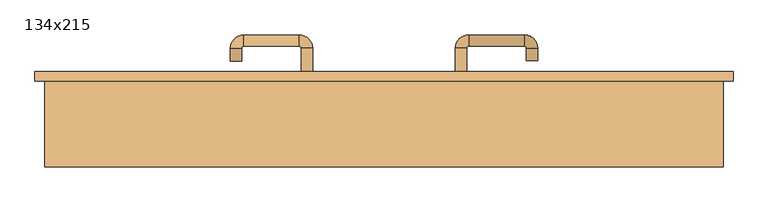
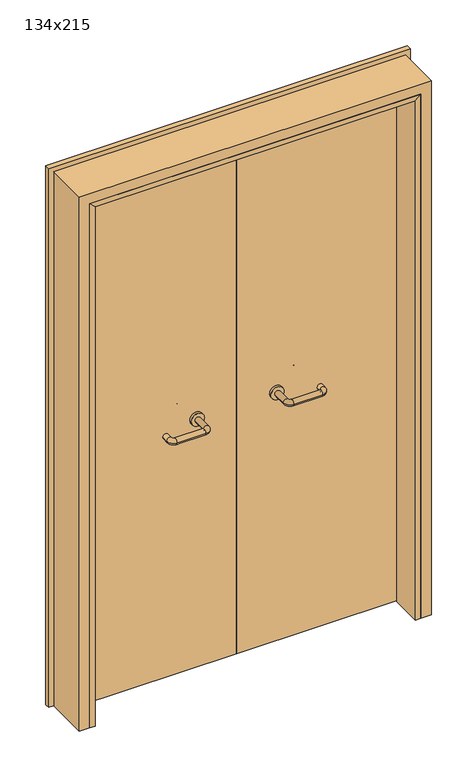
"""IFC4 building model written with IfcOpenShell, lengths in millimetres: door geometry, 134x215."""

from ifc_helpers import new_model, si_unit, point, frame, frame_2d, origin, place, context, project, spatial, polyline, circle_curve, ellipse_curve, trimmed, segment, composite_curve, outline, extrude, faceted_brep, source, transform, mapped, element, save
from ifc_brep_helpers import plane_surface, cylinder_surface, revolved_surface, advanced_brep


def door_134x215_9ab79caf(model_context):
    return source(origin(), model_context, "Body", "SolidModel", [
        faceted_brep([(-610.0, 113.0, 0.0), (-610.0, -10.0, 0.0), (-630.0, -10.0, 0.0), (-630.0, 113.0, 0.0), (-610.0, 113.0, 2090.0), (-610.0, -10.0, 2090.0), (-630.0, -10.0, 2110.0), (-630.0, 113.0, 2110.0), (610.0, 113.0, 0.0), (630.0, 113.0, 0.0), (630.0, -10.0, 0.0), (610.0, -10.0, 0.0), (610.0, 113.0, 2090.0), (630.0, 113.0, 2110.0), (630.0, -10.0, 2110.0), (610.0, -10.0, 2090.0)], [[[0, 1, 2, 3]], [[1, 0, 4, 5]], [[2, 1, 5, 6]], [[3, 2, 6, 7]], [[0, 3, 7, 4]], [[8, 9, 10, 11]], [[12, 13, 9, 8]], [[13, 14, 10, 9]], [[14, 15, 11, 10]], [[15, 12, 8, 11]], [[5, 4, 12, 15]], [[6, 5, 15, 14]], [[7, 6, 14, 13]], [[4, 7, 13, 12]]]),
        extrude(outline(polyline([(2169.0, 689.0), (2169.0, -689.0), (0.0, -689.0), (0.0, -645.0), (2125.0, -645.0), (2125.0, 645.0), (0.0, 645.0), (0.0, 689.0), (2169.0, 689.0)])), frame((0.0, 160.0, 0.0), z_axis=(0.0, 1.0, 0.0), x_axis=(0.0, 0.0, 1.0)), (0.0, 0.0, 1.0), 18.0),
        extrude(outline(polyline([(2150.0, -670.0), (0.0, -670.0), (0.0, -630.0), (2110.0, -630.0), (2110.0, 630.0), (0.0, 630.0), (0.0, 670.0), (2150.0, 670.0), (2150.0, -670.0)])), frame((0.0, -10.0, 0.0), z_axis=(0.0, 1.0, 0.0), x_axis=(0.0, 0.0, 1.0)), (0.0, 0.0, 1.0), 170.0),
        advanced_brep(
        [(140.99898, 106.0, 1003.0), (162.99898, 106.0, 1003.0), (140.99898, 50.6474631, 1003.0), (162.99898, 50.6474631, 1003.0), (166.99898, 46.6474631, 1003.0), (166.99898, 24.6474631, 1003.0), (276.99898, 24.6474631, 1003.0), (276.99898, 46.6474631, 1003.0), (280.99898, 50.6474631, 1003.0), (302.99898, 50.6474631, 1003.0), (302.99898, 68.0, 1003.0), (280.99898, 68.0, 1003.0)],
        [
            (0, 1, circle_curve(frame((151.99898, 106.0, 1003.0), z_axis=(0.0, 1.0, 0.0), x_axis=(1.0, 0.0, 0.0)), 11.0)),
            (1, 0, circle_curve(frame((151.99898, 106.0, 1003.0), z_axis=(0.0, 1.0, 0.0), x_axis=(1.0, 0.0, 0.0)), 11.0)),
            (0, 2),
            (2, 3, circle_curve(frame((151.99898, 50.6474631, 1003.0), z_axis=(0.0, 1.0, 0.0), x_axis=(1.0, 0.0, 0.0)), 11.0)),
            (3, 1),
            (3, 2, circle_curve(frame((151.99898, 50.6474631, 1003.0), z_axis=(0.0, 1.0, 0.0), x_axis=(1.0, 0.0, 0.0)), 11.0)),
            (4, 3, circle_curve(frame((166.99898, 50.6474631, 1003.0), z_axis=(0.0, 0.0, -1.0), x_axis=(-1.0, 0.0, 0.0)), 4.0)),
            (2, 5, circle_curve(frame((166.99898, 50.6474631, 1003.0), z_axis=(0.0, 0.0, 1.0), x_axis=(-1.0, 0.0, 0.0)), 26.0)),
            (5, 4, circle_curve(frame((166.99898, 35.6474631, 1003.0), z_axis=(-1.0, 0.0, 0.0), x_axis=(0.0, 1.0, 0.0)), 11.0)),
            (4, 5, circle_curve(frame((166.99898, 35.6474631, 1003.0), z_axis=(-1.0, 0.0, 0.0), x_axis=(0.0, 1.0, 0.0)), 11.0)),
            (5, 6),
            (6, 7, circle_curve(frame((276.99898, 35.6474631, 1003.0), z_axis=(-1.0, 0.0, 0.0), x_axis=(0.0, 1.0, 0.0)), 11.0)),
            (7, 4),
            (7, 6, circle_curve(frame((276.99898, 35.6474631, 1003.0), z_axis=(-1.0, 0.0, 0.0), x_axis=(0.0, 1.0, 0.0)), 11.0)),
            (8, 7, circle_curve(frame((276.99898, 50.6474631, 1003.0), z_axis=(0.0, 0.0, -1.0), x_axis=(0.0, -1.0, 0.0)), 4.0)),
            (6, 9, circle_curve(frame((276.99898, 50.6474631, 1003.0), z_axis=(0.0, 0.0, 1.0), x_axis=(0.0, -1.0, 0.0)), 26.0)),
            (9, 8, circle_curve(frame((291.99898, 50.6474631, 1003.0), z_axis=(0.0, -1.0, 0.0), x_axis=(-1.0, 0.0, 0.0)), 11.0)),
            (8, 9, circle_curve(frame((291.99898, 50.6474631, 1003.0), z_axis=(0.0, -1.0, 0.0), x_axis=(-1.0, 0.0, 0.0)), 11.0)),
            (10, 11, circle_curve(frame((291.99898, 68.0, 1003.0), z_axis=(0.0, 1.0, 0.0), x_axis=(-1.0, 0.0, 0.0)), 11.0)),
            (11, 10, circle_curve(frame((291.99898, 68.0, 1003.0), z_axis=(0.0, 1.0, 0.0), x_axis=(-1.0, 0.0, 0.0)), 11.0)),
            (9, 10),
            (11, 8),
        ],
        [
            plane_surface(frame((140.99898, 106.0, 1003.0), z_axis=(0.0, 1.0, 0.0), x_axis=(0.0, 0.0, -1.0))),
            cylinder_surface(frame((151.99898, 106.0, 1003.0), z_axis=(0.0, 1.0, 0.0), x_axis=(1.0, 0.0, 0.0)), 11.0),
            revolved_surface(trimmed(ellipse_curve(frame((151.99898, 50.6474631, 1003.0), z_axis=(0.0, 1.0, 0.0), x_axis=(1.0, 0.0, 0.0)), 11.0, 11.0), [point((140.99898, 50.6474631, 1003.0))], [point((162.99898, 50.6474631, 1003.0))], True, "CARTESIAN"), (166.99898, 50.6474631, 1003.0), (0.0, 0.0, 1.0)),
            revolved_surface(trimmed(ellipse_curve(frame((151.99898, 50.6474631, 1003.0), z_axis=(0.0, 1.0, 0.0), x_axis=(1.0, 0.0, 0.0)), 11.0, 11.0), [point((162.99898, 50.6474631, 1003.0))], [point((140.99898, 50.6474631, 1003.0))], True, "CARTESIAN"), (166.99898, 50.6474631, 1003.0), (0.0, 0.0, 1.0)),
            cylinder_surface(frame((166.99898, 35.6474631, 1003.0), z_axis=(-1.0, 0.0, 0.0), x_axis=(0.0, 1.0, 0.0)), 11.0),
            revolved_surface(trimmed(ellipse_curve(frame((276.99898, 35.6474631, 1003.0), z_axis=(-1.0, 0.0, 0.0), x_axis=(0.0, 1.0, 0.0)), 11.0, 11.0), [point((276.99898, 24.6474631, 1003.0))], [point((276.99898, 46.6474631, 1003.0))], True, "CARTESIAN"), (276.99898, 50.6474631, 1003.0), (0.0, 0.0, 1.0)),
            revolved_surface(trimmed(ellipse_curve(frame((276.99898, 35.6474631, 1003.0), z_axis=(-1.0, 0.0, 0.0), x_axis=(0.0, 1.0, 0.0)), 11.0, 11.0), [point((276.99898, 46.6474631, 1003.0))], [point((276.99898, 24.6474631, 1003.0))], True, "CARTESIAN"), (276.99898, 50.6474631, 1003.0), (0.0, 0.0, 1.0)),
            plane_surface(frame((280.99898, 68.0, 1003.0), z_axis=(0.0, 1.0, 0.0), x_axis=(0.0, 0.0, 1.0))),
            cylinder_surface(frame((291.99898, 50.6474631, 1003.0), z_axis=(0.0, -1.0, 0.0), x_axis=(-1.0, 0.0, 0.0)), 11.0),
        ],
        [
            (0, [[1, 2]]),
            (1, [[-1, 3, 4, 5]]),
            (1, [[-2, -5, 6, -3]]),
            (2, [[7, -4, 8, 9]]),
            (3, [[-8, -6, -7, 10]]),
            (4, [[-9, 11, 12, 13]]),
            (4, [[-10, -13, 14, -11]]),
            (5, [[15, -12, 16, 17]]),
            (6, [[-16, -14, -15, 18]]),
            (7, [[19, 20]]),
            (8, [[-17, 21, -20, 22]]),
            (8, [[-18, -22, -19, -21]]),
        ],
    ),
        extrude(outline(composite_curve([segment(trimmed(circle_curve(frame_2d((1003.0, 151.99898)), 25.0), [point((1003.0, 126.99898))], [point((1003.0, 176.99898))], False, "CARTESIAN"), True, "CONTINUOUS"), segment(trimmed(circle_curve(frame_2d((1003.0, 151.99898)), 25.0), [point((1003.0, 176.99898))], [point((1003.0, 126.99898))], False, "CARTESIAN"), True, "CONTINUOUS")], self_intersect=False)), frame((0.0, 106.0, 0.0), z_axis=(0.0, 1.0, 0.0), x_axis=(0.0, 0.0, 1.0)), (0.0, 0.0, 1.0), 10.0),
        advanced_brep(
        [(162.99898, 170.0, 1003.0), (140.99898, 170.0, 1003.0), (162.99898, 225.0, 1003.0), (140.99898, 225.0, 1003.0), (166.99898, 251.0, 1003.0), (166.99898, 229.0, 1003.0), (276.99898, 229.0, 1003.0), (276.99898, 251.0, 1003.0), (302.99898, 225.0, 1003.0), (280.99898, 225.0, 1003.0), (280.99898, 200.0, 1003.0), (302.99898, 200.0, 1003.0)],
        [
            (0, 1, circle_curve(frame((151.99898, 170.0, 1003.0), z_axis=(0.0, -1.0, 0.0), x_axis=(-1.0, 0.0, 0.0)), 11.0)),
            (1, 0, circle_curve(frame((151.99898, 170.0, 1003.0), z_axis=(0.0, -1.0, 0.0), x_axis=(-1.0, 0.0, 0.0)), 11.0)),
            (0, 2),
            (2, 3, circle_curve(frame((151.99898, 225.0, 1003.0), z_axis=(0.0, -1.0, 0.0), x_axis=(-1.0, 0.0, 0.0)), 11.0)),
            (3, 1),
            (3, 2, circle_curve(frame((151.99898, 225.0, 1003.0), z_axis=(0.0, -1.0, 0.0), x_axis=(-1.0, 0.0, 0.0)), 11.0)),
            (4, 3, circle_curve(frame((166.99898, 225.0, 1003.0), z_axis=(0.0, 0.0, 1.0), x_axis=(-1.0, 0.0, 0.0)), 26.0)),
            (2, 5, circle_curve(frame((166.99898, 225.0, 1003.0), z_axis=(0.0, 0.0, -1.0), x_axis=(-1.0, 0.0, 0.0)), 4.0)),
            (5, 4, circle_curve(frame((166.99898, 240.0, 1003.0), z_axis=(-1.0, 0.0, 0.0), x_axis=(0.0, 1.0, 0.0)), 11.0)),
            (4, 5, circle_curve(frame((166.99898, 240.0, 1003.0), z_axis=(-1.0, 0.0, 0.0), x_axis=(0.0, 1.0, 0.0)), 11.0)),
            (5, 6),
            (6, 7, circle_curve(frame((276.99898, 240.0, 1003.0), z_axis=(-1.0, 0.0, 0.0), x_axis=(0.0, 1.0, 0.0)), 11.0)),
            (7, 4),
            (7, 6, circle_curve(frame((276.99898, 240.0, 1003.0), z_axis=(-1.0, 0.0, 0.0), x_axis=(0.0, 1.0, 0.0)), 11.0)),
            (8, 7, circle_curve(frame((276.99898, 225.0, 1003.0), z_axis=(0.0, 0.0, 1.0), x_axis=(0.0, 1.0, 0.0)), 26.0)),
            (6, 9, circle_curve(frame((276.99898, 225.0, 1003.0), z_axis=(0.0, 0.0, -1.0), x_axis=(0.0, 1.0, 0.0)), 4.0)),
            (9, 8, circle_curve(frame((291.99898, 225.0, 1003.0), z_axis=(0.0, 1.0, 0.0), x_axis=(1.0, 0.0, 0.0)), 11.0)),
            (8, 9, circle_curve(frame((291.99898, 225.0, 1003.0), z_axis=(0.0, 1.0, 0.0), x_axis=(1.0, 0.0, 0.0)), 11.0)),
            (10, 11, circle_curve(frame((291.99898, 200.0, 1003.0), z_axis=(0.0, -1.0, 0.0), x_axis=(1.0, 0.0, 0.0)), 11.0)),
            (11, 10, circle_curve(frame((291.99898, 200.0, 1003.0), z_axis=(0.0, -1.0, 0.0), x_axis=(1.0, 0.0, 0.0)), 11.0)),
            (9, 10),
            (11, 8),
        ],
        [
            plane_surface(frame((140.99898, 170.0, 1003.0), z_axis=(0.0, -1.0, 0.0), x_axis=(0.0, 0.0, 1.0))),
            cylinder_surface(frame((151.99898, 170.0, 1003.0), z_axis=(0.0, -1.0, 0.0), x_axis=(-1.0, 0.0, 0.0)), 11.0),
            revolved_surface(trimmed(ellipse_curve(frame((151.99898, 225.0, 1003.0), z_axis=(0.0, -1.0, 0.0), x_axis=(-1.0, 0.0, 0.0)), 11.0, 11.0), [point((162.99898, 225.0, 1003.0))], [point((140.99898, 225.0, 1003.0))], True, "CARTESIAN"), (166.99898, 225.0, 1003.0), (0.0, 0.0, -1.0)),
            revolved_surface(trimmed(ellipse_curve(frame((151.99898, 225.0, 1003.0), z_axis=(0.0, -1.0, 0.0), x_axis=(-1.0, 0.0, 0.0)), 11.0, 11.0), [point((140.99898, 225.0, 1003.0))], [point((162.99898, 225.0, 1003.0))], True, "CARTESIAN"), (166.99898, 225.0, 1003.0), (0.0, 0.0, -1.0)),
            cylinder_surface(frame((166.99898, 240.0, 1003.0), z_axis=(-1.0, 0.0, 0.0), x_axis=(0.0, 1.0, 0.0)), 11.0),
            revolved_surface(trimmed(ellipse_curve(frame((276.99898, 240.0, 1003.0), z_axis=(-1.0, 0.0, 0.0), x_axis=(0.0, 1.0, 0.0)), 11.0, 11.0), [point((276.99898, 229.0, 1003.0))], [point((276.99898, 251.0, 1003.0))], True, "CARTESIAN"), (276.99898, 225.0, 1003.0), (0.0, 0.0, -1.0)),
            revolved_surface(trimmed(ellipse_curve(frame((276.99898, 240.0, 1003.0), z_axis=(-1.0, 0.0, 0.0), x_axis=(0.0, 1.0, 0.0)), 11.0, 11.0), [point((276.99898, 251.0, 1003.0))], [point((276.99898, 229.0, 1003.0))], True, "CARTESIAN"), (276.99898, 225.0, 1003.0), (0.0, 0.0, -1.0)),
            plane_surface(frame((280.99898, 200.0, 1003.0), z_axis=(0.0, -1.0, 0.0), x_axis=(0.0, 0.0, -1.0))),
            cylinder_surface(frame((291.99898, 225.0, 1003.0), z_axis=(0.0, 1.0, 0.0), x_axis=(1.0, 0.0, 0.0)), 11.0),
        ],
        [
            (0, [[1, 2]]),
            (1, [[-1, 3, 4, 5]]),
            (1, [[-2, -5, 6, -3]]),
            (2, [[7, -4, 8, 9]]),
            (3, [[-8, -6, -7, 10]]),
            (4, [[-9, 11, 12, 13]]),
            (4, [[-10, -13, 14, -11]]),
            (5, [[15, -12, 16, 17]]),
            (6, [[-16, -14, -15, 18]]),
            (7, [[19, 20]]),
            (8, [[-17, 21, -20, 22]]),
            (8, [[-18, -22, -19, -21]]),
        ],
    ),
        extrude(outline(composite_curve([segment(trimmed(circle_curve(frame_2d((1003.0, 151.99898)), 25.0), [point((1003.0, 176.99898))], [point((1003.0, 126.99898))], False, "CARTESIAN"), True, "CONTINUOUS"), segment(trimmed(circle_curve(frame_2d((1003.0, 151.99898)), 25.0), [point((1003.0, 126.99898))], [point((1003.0, 176.99898))], False, "CARTESIAN"), True, "CONTINUOUS")], self_intersect=False)), frame((0.0, 160.0, 0.0), z_axis=(0.0, 1.0, 0.0), x_axis=(0.0, 0.0, 1.0)), (0.0, 0.0, 1.0), 10.0),
        advanced_brep(
        [(-162.99898, 105.6886121, 1003.0), (-140.99898, 105.6886121, 1003.0), (-162.99898, 50.2779553, 1003.0), (-140.99898, 50.2779553, 1003.0), (-166.99898, 24.2779553, 1003.0), (-166.99898, 46.2779553, 1003.0), (-276.99898, 46.2779553, 1003.0), (-276.99898, 24.2779553, 1003.0), (-302.99898, 50.2779553, 1003.0), (-280.99898, 50.2779553, 1003.0), (-280.99898, 75.2779553, 1003.0), (-302.99898, 75.2779553, 1003.0)],
        [
            (0, 1, circle_curve(frame((-151.99898, 105.6886121, 1003.0), z_axis=(0.0, 1.0, 0.0), x_axis=(1.0, 0.0, 0.0)), 11.0)),
            (1, 0, circle_curve(frame((-151.99898, 105.6886121, 1003.0), z_axis=(0.0, 1.0, 0.0), x_axis=(1.0, 0.0, 0.0)), 11.0)),
            (0, 2),
            (2, 3, circle_curve(frame((-151.99898, 50.2779553, 1003.0), z_axis=(0.0, 1.0, 0.0), x_axis=(1.0, 0.0, 0.0)), 11.0)),
            (3, 1),
            (3, 2, circle_curve(frame((-151.99898, 50.2779553, 1003.0), z_axis=(0.0, 1.0, 0.0), x_axis=(1.0, 0.0, 0.0)), 11.0)),
            (4, 3, circle_curve(frame((-166.99898, 50.2779553, 1003.0), z_axis=(0.0, 0.0, 1.0), x_axis=(1.0, 0.0, 0.0)), 26.0)),
            (2, 5, circle_curve(frame((-166.99898, 50.2779553, 1003.0), z_axis=(0.0, 0.0, -1.0), x_axis=(1.0, 0.0, 0.0)), 4.0)),
            (5, 4, circle_curve(frame((-166.99898, 35.2779553, 1003.0), z_axis=(1.0, 0.0, 0.0), x_axis=(0.0, -1.0, 0.0)), 11.0)),
            (4, 5, circle_curve(frame((-166.99898, 35.2779553, 1003.0), z_axis=(1.0, 0.0, 0.0), x_axis=(0.0, -1.0, 0.0)), 11.0)),
            (5, 6),
            (6, 7, circle_curve(frame((-276.99898, 35.2779553, 1003.0), z_axis=(1.0, 0.0, 0.0), x_axis=(0.0, -1.0, 0.0)), 11.0)),
            (7, 4),
            (7, 6, circle_curve(frame((-276.99898, 35.2779553, 1003.0), z_axis=(1.0, 0.0, 0.0), x_axis=(0.0, -1.0, 0.0)), 11.0)),
            (8, 7, circle_curve(frame((-276.99898, 50.2779553, 1003.0), z_axis=(0.0, 0.0, 1.0), x_axis=(0.0, -1.0, 0.0)), 26.0)),
            (6, 9, circle_curve(frame((-276.99898, 50.2779553, 1003.0), z_axis=(0.0, 0.0, -1.0), x_axis=(0.0, -1.0, 0.0)), 4.0)),
            (9, 8, circle_curve(frame((-291.99898, 50.2779553, 1003.0), z_axis=(0.0, -1.0, 0.0), x_axis=(-1.0, 0.0, 0.0)), 11.0)),
            (8, 9, circle_curve(frame((-291.99898, 50.2779553, 1003.0), z_axis=(0.0, -1.0, 0.0), x_axis=(-1.0, 0.0, 0.0)), 11.0)),
            (10, 11, circle_curve(frame((-291.99898, 75.2779553, 1003.0), z_axis=(0.0, 1.0, 0.0), x_axis=(-1.0, 0.0, 0.0)), 11.0)),
            (11, 10, circle_curve(frame((-291.99898, 75.2779553, 1003.0), z_axis=(0.0, 1.0, 0.0), x_axis=(-1.0, 0.0, 0.0)), 11.0)),
            (9, 10),
            (11, 8),
        ],
        [
            plane_surface(frame((-162.99898, 105.6886121, 1003.0), z_axis=(0.0, 1.0, 0.0), x_axis=(0.0, 0.0, -1.0))),
            cylinder_surface(frame((-151.99898, 105.6886121, 1003.0), z_axis=(0.0, 1.0, 0.0), x_axis=(1.0, 0.0, 0.0)), 11.0),
            revolved_surface(trimmed(ellipse_curve(frame((-151.99898, 50.2779553, 1003.0), z_axis=(0.0, 1.0, 0.0), x_axis=(1.0, 0.0, 0.0)), 11.0, 11.0), [point((-162.99898, 50.2779553, 1003.0))], [point((-140.99898, 50.2779553, 1003.0))], True, "CARTESIAN"), (-166.99898, 50.2779553, 1003.0), (0.0, 0.0, -1.0)),
            revolved_surface(trimmed(ellipse_curve(frame((-151.99898, 50.2779553, 1003.0), z_axis=(0.0, 1.0, 0.0), x_axis=(1.0, 0.0, 0.0)), 11.0, 11.0), [point((-140.99898, 50.2779553, 1003.0))], [point((-162.99898, 50.2779553, 1003.0))], True, "CARTESIAN"), (-166.99898, 50.2779553, 1003.0), (0.0, 0.0, -1.0)),
            cylinder_surface(frame((-166.99898, 35.2779553, 1003.0), z_axis=(1.0, 0.0, 0.0), x_axis=(0.0, -1.0, 0.0)), 11.0),
            revolved_surface(trimmed(ellipse_curve(frame((-276.99898, 35.2779553, 1003.0), z_axis=(1.0, 0.0, 0.0), x_axis=(0.0, -1.0, 0.0)), 11.0, 11.0), [point((-276.99898, 46.2779553, 1003.0))], [point((-276.99898, 24.2779553, 1003.0))], True, "CARTESIAN"), (-276.99898, 50.2779553, 1003.0), (0.0, 0.0, -1.0)),
            revolved_surface(trimmed(ellipse_curve(frame((-276.99898, 35.2779553, 1003.0), z_axis=(1.0, 0.0, 0.0), x_axis=(0.0, -1.0, 0.0)), 11.0, 11.0), [point((-276.99898, 24.2779553, 1003.0))], [point((-276.99898, 46.2779553, 1003.0))], True, "CARTESIAN"), (-276.99898, 50.2779553, 1003.0), (0.0, 0.0, -1.0)),
            plane_surface(frame((-302.99898, 75.2779553, 1003.0), z_axis=(0.0, 1.0, 0.0), x_axis=(0.0, 0.0, 1.0))),
            cylinder_surface(frame((-291.99898, 50.2779553, 1003.0), z_axis=(0.0, -1.0, 0.0), x_axis=(-1.0, 0.0, 0.0)), 11.0),
        ],
        [
            (0, [[1, 2]]),
            (1, [[-1, 3, 4, 5]]),
            (1, [[-2, -5, 6, -3]]),
            (2, [[7, -4, 8, 9]]),
            (3, [[-8, -6, -7, 10]]),
            (4, [[-9, 11, 12, 13]]),
            (4, [[-10, -13, 14, -11]]),
            (5, [[15, -12, 16, 17]]),
            (6, [[-16, -14, -15, 18]]),
            (7, [[19, 20]]),
            (8, [[-17, 21, -20, 22]]),
            (8, [[-18, -22, -19, -21]]),
        ],
    ),
        extrude(outline(composite_curve([segment(trimmed(circle_curve(frame_2d((1003.0, -151.99898)), 25.0), [point((1003.0, -176.99898))], [point((1003.0, -126.99898))], False, "CARTESIAN"), True, "CONTINUOUS"), segment(trimmed(circle_curve(frame_2d((1003.0, -151.99898)), 25.0), [point((1003.0, -126.99898))], [point((1003.0, -176.99898))], False, "CARTESIAN"), True, "CONTINUOUS")], self_intersect=False)), frame((0.0, 105.6886121, 0.0), z_axis=(0.0, 1.0, 0.0), x_axis=(0.0, 0.0, 1.0)), (0.0, 0.0, 1.0), 10.3113879),
        advanced_brep(
        [(-140.99898, 169.5143417, 1003.0), (-162.99898, 169.5143417, 1003.0), (-140.99898, 224.6104656, 1003.0), (-162.99898, 224.6104656, 1003.0), (-166.99898, 228.6104656, 1003.0), (-166.99898, 250.6104656, 1003.0), (-276.99898, 250.6104656, 1003.0), (-276.99898, 228.6104656, 1003.0), (-280.99898, 224.6104656, 1003.0), (-302.99898, 224.6104656, 1003.0), (-302.99898, 199.6104656, 1003.0), (-280.99898, 199.6104656, 1003.0)],
        [
            (0, 1, circle_curve(frame((-151.99898, 169.5143417, 1003.0), z_axis=(0.0, -1.0, 0.0), x_axis=(-1.0, 0.0, 0.0)), 11.0)),
            (1, 0, circle_curve(frame((-151.99898, 169.5143417, 1003.0), z_axis=(0.0, -1.0, 0.0), x_axis=(-1.0, 0.0, 0.0)), 11.0)),
            (0, 2),
            (2, 3, circle_curve(frame((-151.99898, 224.6104656, 1003.0), z_axis=(0.0, -1.0, 0.0), x_axis=(-1.0, 0.0, 0.0)), 11.0)),
            (3, 1),
            (3, 2, circle_curve(frame((-151.99898, 224.6104656, 1003.0), z_axis=(0.0, -1.0, 0.0), x_axis=(-1.0, 0.0, 0.0)), 11.0)),
            (4, 3, circle_curve(frame((-166.99898, 224.6104656, 1003.0), z_axis=(0.0, 0.0, -1.0), x_axis=(1.0, 0.0, 0.0)), 4.0)),
            (2, 5, circle_curve(frame((-166.99898, 224.6104656, 1003.0), z_axis=(0.0, 0.0, 1.0), x_axis=(1.0, 0.0, 0.0)), 26.0)),
            (5, 4, circle_curve(frame((-166.99898, 239.6104656, 1003.0), z_axis=(1.0, 0.0, 0.0), x_axis=(0.0, -1.0, 0.0)), 11.0)),
            (4, 5, circle_curve(frame((-166.99898, 239.6104656, 1003.0), z_axis=(1.0, 0.0, 0.0), x_axis=(0.0, -1.0, 0.0)), 11.0)),
            (5, 6),
            (6, 7, circle_curve(frame((-276.99898, 239.6104656, 1003.0), z_axis=(1.0, 0.0, 0.0), x_axis=(0.0, -1.0, 0.0)), 11.0)),
            (7, 4),
            (7, 6, circle_curve(frame((-276.99898, 239.6104656, 1003.0), z_axis=(1.0, 0.0, 0.0), x_axis=(0.0, -1.0, 0.0)), 11.0)),
            (8, 7, circle_curve(frame((-276.99898, 224.6104656, 1003.0), z_axis=(0.0, 0.0, -1.0), x_axis=(0.0, 1.0, 0.0)), 4.0)),
            (6, 9, circle_curve(frame((-276.99898, 224.6104656, 1003.0), z_axis=(0.0, 0.0, 1.0), x_axis=(0.0, 1.0, 0.0)), 26.0)),
            (9, 8, circle_curve(frame((-291.99898, 224.6104656, 1003.0), z_axis=(0.0, 1.0, 0.0), x_axis=(1.0, 0.0, 0.0)), 11.0)),
            (8, 9, circle_curve(frame((-291.99898, 224.6104656, 1003.0), z_axis=(0.0, 1.0, 0.0), x_axis=(1.0, 0.0, 0.0)), 11.0)),
            (10, 11, circle_curve(frame((-291.99898, 199.6104656, 1003.0), z_axis=(0.0, -1.0, 0.0), x_axis=(1.0, 0.0, 0.0)), 11.0)),
            (11, 10, circle_curve(frame((-291.99898, 199.6104656, 1003.0), z_axis=(0.0, -1.0, 0.0), x_axis=(1.0, 0.0, 0.0)), 11.0)),
            (9, 10),
            (11, 8),
        ],
        [
            plane_surface(frame((-162.99898, 169.5143417, 1003.0), z_axis=(0.0, -1.0, 0.0), x_axis=(0.0, 0.0, 1.0))),
            cylinder_surface(frame((-151.99898, 169.5143417, 1003.0), z_axis=(0.0, -1.0, 0.0), x_axis=(-1.0, 0.0, 0.0)), 11.0),
            revolved_surface(trimmed(ellipse_curve(frame((-151.99898, 224.6104656, 1003.0), z_axis=(0.0, -1.0, 0.0), x_axis=(-1.0, 0.0, 0.0)), 11.0, 11.0), [point((-140.99898, 224.6104656, 1003.0))], [point((-162.99898, 224.6104656, 1003.0))], True, "CARTESIAN"), (-166.99898, 224.6104656, 1003.0), (0.0, 0.0, 1.0)),
            revolved_surface(trimmed(ellipse_curve(frame((-151.99898, 224.6104656, 1003.0), z_axis=(0.0, -1.0, 0.0), x_axis=(-1.0, 0.0, 0.0)), 11.0, 11.0), [point((-162.99898, 224.6104656, 1003.0))], [point((-140.99898, 224.6104656, 1003.0))], True, "CARTESIAN"), (-166.99898, 224.6104656, 1003.0), (0.0, 0.0, 1.0)),
            cylinder_surface(frame((-166.99898, 239.6104656, 1003.0), z_axis=(1.0, 0.0, 0.0), x_axis=(0.0, -1.0, 0.0)), 11.0),
            revolved_surface(trimmed(ellipse_curve(frame((-276.99898, 239.6104656, 1003.0), z_axis=(1.0, 0.0, 0.0), x_axis=(0.0, -1.0, 0.0)), 11.0, 11.0), [point((-276.99898, 250.6104656, 1003.0))], [point((-276.99898, 228.6104656, 1003.0))], True, "CARTESIAN"), (-276.99898, 224.6104656, 1003.0), (0.0, 0.0, 1.0)),
            revolved_surface(trimmed(ellipse_curve(frame((-276.99898, 239.6104656, 1003.0), z_axis=(1.0, 0.0, 0.0), x_axis=(0.0, -1.0, 0.0)), 11.0, 11.0), [point((-276.99898, 228.6104656, 1003.0))], [point((-276.99898, 250.6104656, 1003.0))], True, "CARTESIAN"), (-276.99898, 224.6104656, 1003.0), (0.0, 0.0, 1.0)),
            plane_surface(frame((-302.99898, 199.6104656, 1003.0), z_axis=(0.0, -1.0, 0.0), x_axis=(0.0, 0.0, -1.0))),
            cylinder_surface(frame((-291.99898, 224.6104656, 1003.0), z_axis=(0.0, 1.0, 0.0), x_axis=(1.0, 0.0, 0.0)), 11.0),
        ],
        [
            (0, [[1, 2]]),
            (1, [[-1, 3, 4, 5]]),
            (1, [[-2, -5, 6, -3]]),
            (2, [[7, -4, 8, 9]]),
            (3, [[-8, -6, -7, 10]]),
            (4, [[-9, 11, 12, 13]]),
            (4, [[-10, -13, 14, -11]]),
            (5, [[15, -12, 16, 17]]),
            (6, [[-16, -14, -15, 18]]),
            (7, [[19, 20]]),
            (8, [[-17, 21, -20, 22]]),
            (8, [[-18, -22, -19, -21]]),
        ],
    ),
        extrude(outline(composite_curve([segment(trimmed(circle_curve(frame_2d((1003.0, -151.99898)), 25.0), [point((1003.0, -126.99898))], [point((1003.0, -176.99898))], False, "CARTESIAN"), True, "CONTINUOUS"), segment(trimmed(circle_curve(frame_2d((1003.0, -151.99898)), 25.0), [point((1003.0, -176.99898))], [point((1003.0, -126.99898))], False, "CARTESIAN"), True, "CONTINUOUS")], self_intersect=False)), frame((0.0, 160.0, 0.0), z_axis=(0.0, 1.0, 0.0), x_axis=(0.0, 0.0, 1.0)), (0.0, 0.0, 1.0), 9.5143417),
        extrude(outline(polyline([(1.0739506, 116.0), (-627.0, 116.0), (-627.0, 160.0), (1.0739506, 160.0), (1.0739506, 116.0)])), frame((0.0, 0.0, 1.753223), z_axis=(0.0, 0.0, 1.0), x_axis=(1.0, 0.0, 0.0)), (0.0, 0.0, 1.0), 2108.246777),
        extrude(outline(polyline([(627.0, 116.0), (1.0739506, 116.0), (1.0739506, 160.0), (627.0, 160.0), (627.0, 116.0)])), frame((0.0, 0.0, 1.753223), z_axis=(0.0, 0.0, 1.0), x_axis=(1.0, 0.0, 0.0)), (0.0, 0.0, 1.0), 2108.246777),
    ])


if __name__ == "__main__":
    model = new_model("IFC4")
    model_context = context("Model", 3, world=origin())
    ifc_project = project(units=[si_unit("LENGTHUNIT", "METRE", prefix="MILLI")], contexts=[model_context])
    site = spatial("IfcSite", under=ifc_project)
    building = spatial("IfcBuilding", under=site)
    placement = place(None, origin())
    door_134x215_shape = door_134x215_9ab79caf(model_context)
    element("IfcDoor", 1, ObjectType="134x215", at=placement, inside=building, context=model_context, shape_type="MappedRepresentation", body=[
        mapped(door_134x215_shape, transform((0.0, 0.0, 0.0), x_axis=(1.0, 0.0, 0.0), y_axis=(0.0, 1.0, 0.0), z_axis=(0.0, 0.0, 1.0))),
    ])
    save(model, "model.ifc")
